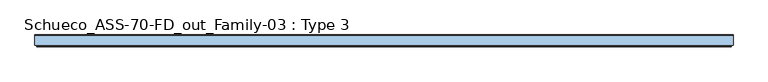
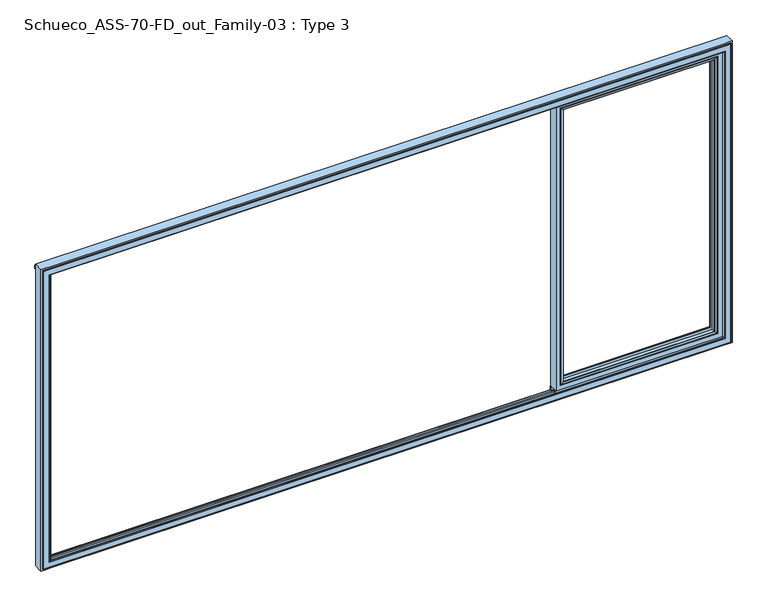
"""IFC4 building model written with IfcOpenShell, lengths in millimetres: window geometry, Schueco_ASS-70-FD_out_Family-03 : Type 3."""

from ifc_helpers import new_model, si_unit, point, frame, frame_2d, origin, place, context, project, spatial, polyline, circle_curve, ellipse_curve, trimmed, segment, composite_curve, outline, extrude, source, transform, mapped, element, save
from ifc_brep_helpers import plane_surface, cylinder_surface, advanced_brep


def schueco_ass_70_fd_out_family_03_type_3_bed2fc86(model_context):
    return source(origin(), model_context, "Body", "SolidModel", [
        advanced_brep(
        [(1324.7245728, -64.5552044, 2283.0004272), (1324.7245728, -64.5552044, 128.9995728), (1324.7245728, -37.9928974, 128.9995728), (1324.7245728, -37.9928974, 2283.0004272), (1302.725, -37.9928974, 2305.0), (2480.8, -37.9928974, 2305.0), (2480.8, -37.9928974, 107.0), (1302.725, -37.9928974, 107.0), (2458.8004272, -37.9928974, 2283.0004272), (2458.8004272, -37.9928974, 128.9995728), (2458.8004272, -64.5552044, 128.9995728), (1324.0150293, -65.8045072, 2283.7099707), (1324.0150293, -65.8045072, 128.2900293), (2459.5099707, -65.8045072, 128.2900293), (1308.724939, -70.0, 2299.000061), (1308.724939, -70.0, 112.999939), (2474.800061, -70.0, 112.999939), (2480.8, -70.0, 2305.0), (1302.725, -70.0, 2305.0), (1302.725, -70.0, 107.0), (2480.8, -70.0, 107.0), (2474.800061, -70.0, 2299.000061), (2458.8004272, -64.5552044, 2283.0004272), (2459.5099707, -65.8045072, 2283.7099707)],
        [
            (0, 1),
            (1, 2),
            (2, 3),
            (3, 0),
            (4, 5),
            (5, 6),
            (6, 7),
            (7, 4),
            (8, 3),
            (2, 9),
            (9, 8),
            (1, 10),
            (10, 9),
            (11, 12),
            (12, 1, ellipse_curve(frame((1323.2699688, -64.5552044, 127.5449688), z_axis=(-0.7071067811865475, 0.0, 0.7071067811865475), x_axis=(0.7071067811865474, 0.0, 0.7071067811865476)), 2.0571207, 1.454604)),
            (0, 11, ellipse_curve(frame((1323.2699688, -64.5552044, 2284.4550312), z_axis=(-0.7071067811865475, 0.0, -0.7071067811865475), x_axis=(-0.7071067811865474, 0.0, 0.7071067811865476)), 2.0571207, 1.454604)),
            (12, 13),
            (13, 10, ellipse_curve(frame((2460.2550312, -64.5552044, 127.5449688), z_axis=(-0.7071067811865475, 0.0, -0.7071067811865475), x_axis=(-0.7071067811865476, 0.0, 0.7071067811865474)), 2.0571207, 1.454604)),
            (14, 15),
            (15, 12, ellipse_curve(frame((1308.7888746, -40.2735922, 113.0638746), z_axis=(-0.7071067811865475, 0.0, 0.7071067811865475), x_axis=(0.7071067811865474, 0.0, 0.7071067811865476)), 42.0395863, 29.7264765)),
            (11, 14, ellipse_curve(frame((1308.7888746, -40.2735922, 2298.9361254), z_axis=(-0.7071067811865475, 0.0, -0.7071067811865475), x_axis=(-0.7071067811865474, 0.0, 0.7071067811865476)), 42.0395863, 29.7264765)),
            (15, 16),
            (16, 13, ellipse_curve(frame((2474.7361254, -40.2735922, 113.0638746), z_axis=(-0.7071067811865475, 0.0, -0.7071067811865475), x_axis=(-0.7071067811865476, 0.0, 0.7071067811865474)), 42.0395863, 29.7264765)),
            (17, 18),
            (18, 19),
            (19, 20),
            (20, 17),
            (14, 21),
            (21, 16),
            (7, 19),
            (18, 4),
            (6, 20),
            (10, 22),
            (22, 8),
            (13, 23),
            (23, 22, ellipse_curve(frame((2460.2550312, -64.5552044, 2284.4550312), z_axis=(0.7071067811865475, 0.0, -0.7071067811865475), x_axis=(-0.7071067811865474, 0.0, -0.7071067811865476)), 2.0571207, 1.454604)),
            (21, 23, ellipse_curve(frame((2474.7361254, -40.2735922, 2298.9361254), z_axis=(0.7071067811865475, 0.0, -0.7071067811865475), x_axis=(-0.7071067811865474, 0.0, -0.7071067811865476)), 42.0395863, 29.7264765)),
            (5, 17),
            (22, 0),
            (23, 11),
        ],
        [
            plane_surface(frame((1324.7245728, -37.9928974, 2283.0004272), z_axis=(1.0, 0.0, 0.0), x_axis=(0.0, 0.0, -1.0))),
            plane_surface(frame((2480.8, -37.9928974, 107.0), z_axis=(0.0, 1.0, 0.0), x_axis=(0.0, 0.0, 1.0))),
            plane_surface(frame((1324.7245728, -37.9928974, 128.9995728), z_axis=(0.0, 0.0, 1.0), x_axis=(1.0, 0.0, 0.0))),
            cylinder_surface(frame((1323.2699688, -64.5552044, 2283.0004272), z_axis=(0.0, 0.0, 1.0), x_axis=(-1.0, 0.0, 0.0)), 1.454604),
            cylinder_surface(frame((1324.7245728, -64.5552044, 127.5449688), z_axis=(-1.0, 0.0, 0.0), x_axis=(0.0, 0.0, -1.0)), 1.454604),
            cylinder_surface(frame((1308.7888746, -40.2735922, 2283.0004272), z_axis=(0.0, 0.0, 1.0), x_axis=(-1.0, 0.0, 0.0)), 29.7264765),
            cylinder_surface(frame((1324.7245728, -40.2735922, 113.0638746), z_axis=(-1.0, 0.0, 0.0), x_axis=(0.0, 0.0, -1.0)), 29.7264765),
            plane_surface(frame((2474.800061, -70.0, 112.999939), z_axis=(0.0, -1.0, 0.0), x_axis=(0.0, 0.0, 1.0))),
            plane_surface(frame((1302.725, -70.0, 2305.0), z_axis=(-1.0, 0.0, 0.0), x_axis=(0.0, 0.0, -1.0))),
            plane_surface(frame((1302.725, -70.0, 107.0), z_axis=(0.0, 0.0, -1.0), x_axis=(1.0, 0.0, 0.0))),
            plane_surface(frame((2458.8004272, -37.9928974, 128.9995728), z_axis=(-1.0, 0.0, 0.0), x_axis=(0.0, 0.0, 1.0))),
            cylinder_surface(frame((2460.2550312, -64.5552044, 128.9995728), z_axis=(0.0, 0.0, -1.0), x_axis=(1.0, 0.0, 0.0)), 1.454604),
            cylinder_surface(frame((2474.7361254, -40.2735922, 128.9995728), z_axis=(0.0, 0.0, -1.0), x_axis=(1.0, 0.0, 0.0)), 29.7264765),
            plane_surface(frame((2480.8, -70.0, 107.0), z_axis=(1.0, 0.0, 0.0), x_axis=(0.0, 0.0, 1.0))),
            plane_surface(frame((2458.8004272, -37.9928974, 2283.0004272), z_axis=(0.0, 0.0, -1.0), x_axis=(-1.0, 0.0, 0.0))),
            cylinder_surface(frame((2458.8004272, -64.5552044, 2284.4550312), z_axis=(1.0, 0.0, 0.0), x_axis=(0.0, 0.0, 1.0)), 1.454604),
            cylinder_surface(frame((2458.8004272, -40.2735922, 2298.9361254), z_axis=(1.0, 0.0, 0.0), x_axis=(0.0, 0.0, 1.0)), 29.7264765),
            plane_surface(frame((2480.8, -70.0, 2305.0), z_axis=(0.0, 0.0, 1.0), x_axis=(-1.0, 0.0, 0.0))),
        ],
        [
            (0, [[1, 2, 3, 4]]),
            (1, [[5, 6, 7, 8], [9, -3, 10, 11]]),
            (2, [[12, 13, -10, -2]]),
            (3, [[14, 15, -1, 16]]),
            (4, [[17, 18, -12, -15]]),
            (5, [[19, 20, -14, 21]]),
            (6, [[22, 23, -17, -20]]),
            (7, [[24, 25, 26, 27], [28, 29, -22, -19]]),
            (8, [[-8, 30, -25, 31]]),
            (9, [[-7, 32, -26, -30]]),
            (10, [[33, 34, -11, -13]]),
            (11, [[35, 36, -33, -18]]),
            (12, [[-29, 37, -35, -23]]),
            (13, [[-6, 38, -27, -32]]),
            (14, [[39, -4, -9, -34]]),
            (15, [[40, -16, -39, -36]]),
            (16, [[-28, -21, -40, -37]]),
            (17, [[-5, -31, -24, -38]]),
        ],
    ),
        advanced_brep(
        [(2512.8, -70.0, 2337.0), (2512.8, -70.0, 75.0), (2512.8, 0.0, 75.0), (2512.8, 0.0, 2337.0), (1270.725, -70.0, 75.0), (1270.725, 0.0, 75.0), (1270.725, 0.0, 2337.0), (1320.2241901, 0.0, 124.4991901), (2463.3008099, 0.0, 124.4991901), (2463.3008099, 0.0, 2287.5008099), (1320.2241901, 0.0, 2287.5008099), (1270.725, -70.0, 2337.0), (2480.8, -70.0, 107.0), (1302.725, -70.0, 107.0), (1302.725, -70.0, 2305.0), (2480.8, -70.0, 2305.0), (2480.8, -13.999939, 2305.0), (2480.8, -13.999939, 107.0), (1302.725, -13.999939, 107.0), (1302.725, -13.999939, 2305.0), (2458.8004272, -13.999939, 128.9995728), (1324.7245728, -13.999939, 128.9995728), (1324.7245728, -13.999939, 2283.0004272), (2458.8004272, -13.999939, 2283.0004272), (2458.8004272, -4.5004435, 2283.0004272), (2458.8004272, -4.5004435, 128.9995728), (1324.7245728, -4.5004435, 128.9995728), (1324.7245728, -4.5004435, 2283.0004272)],
        [
            (0, 1),
            (1, 2),
            (2, 3),
            (3, 0),
            (1, 4),
            (4, 5),
            (5, 2),
            (5, 6),
            (6, 3),
            (7, 8),
            (8, 9),
            (9, 10),
            (10, 7),
            (4, 11),
            (11, 6),
            (0, 11),
            (12, 13),
            (13, 14),
            (14, 15),
            (15, 12),
            (16, 17),
            (17, 12),
            (15, 16),
            (17, 18),
            (18, 13),
            (18, 19),
            (19, 14),
            (16, 19),
            (20, 21),
            (21, 22),
            (22, 23),
            (23, 20),
            (24, 25),
            (25, 20),
            (23, 24),
            (25, 26),
            (26, 21),
            (26, 27),
            (27, 22),
            (7, 26, ellipse_curve(frame((1320.2241901, -4.5004435, 124.4991901), z_axis=(0.7071067811865475, 0.0, -0.7071067811865475), x_axis=(0.7071067811865476, 0.0, 0.7071067811865474)), 6.3645023, 4.5003827)),
            (25, 8, ellipse_curve(frame((2463.3008099, -4.5004435, 124.4991901), z_axis=(-0.7071067811865475, 0.0, -0.7071067811865475), x_axis=(0.7071067811865476, 0.0, -0.7071067811865474)), 6.3645023, 4.5003827)),
            (24, 9, ellipse_curve(frame((2463.3008099, -4.5004435, 2287.5008099), z_axis=(0.7071067811865475, 0.0, -0.7071067811865475), x_axis=(0.7071067811865474, 0.0, 0.7071067811865476)), 6.3645023, 4.5003827)),
            (10, 27, ellipse_curve(frame((1320.2241901, -4.5004435, 2287.5008099), z_axis=(-0.7071067811865475, 0.0, -0.7071067811865475), x_axis=(0.7071067811865474, 0.0, -0.7071067811865476)), 6.3645023, 4.5003827)),
            (27, 24),
        ],
        [
            plane_surface(frame((2512.8, 0.0, 2337.0), z_axis=(1.0, 0.0, 0.0), x_axis=(0.0, 0.0, -1.0))),
            plane_surface(frame((2512.8, 0.0, 75.0), z_axis=(0.0, 0.0, -1.0), x_axis=(-1.0, 0.0, 0.0))),
            plane_surface(frame((2463.3008099, 0.0, 2287.5008099), z_axis=(0.0, 1.0, 0.0), x_axis=(0.0, 0.0, -1.0))),
            plane_surface(frame((1270.725, 0.0, 75.0), z_axis=(-1.0, 0.0, 0.0), x_axis=(0.0, 0.0, 1.0))),
            plane_surface(frame((2512.8, -70.0, 2337.0), z_axis=(0.0, -1.0, 0.0), x_axis=(0.0, 0.0, -1.0))),
            plane_surface(frame((2480.8, -70.0, 2305.0), z_axis=(-1.0, 0.0, 0.0), x_axis=(0.0, 0.0, -1.0))),
            plane_surface(frame((2480.8, -70.0, 107.0), z_axis=(0.0, 0.0, 1.0), x_axis=(-1.0, 0.0, 0.0))),
            plane_surface(frame((1302.725, -70.0, 107.0), z_axis=(1.0, 0.0, 0.0), x_axis=(0.0, 0.0, 1.0))),
            plane_surface(frame((2480.8, -13.999939, 2305.0), z_axis=(0.0, -1.0, 0.0), x_axis=(0.0, 0.0, -1.0))),
            plane_surface(frame((2458.8004272, -13.999939, 2283.0004272), z_axis=(-1.0, 0.0, 0.0), x_axis=(0.0, 0.0, -1.0))),
            plane_surface(frame((2458.8004272, -13.999939, 128.9995728), z_axis=(0.0, 0.0, 1.0), x_axis=(-1.0, 0.0, 0.0))),
            plane_surface(frame((1324.7245728, -13.999939, 128.9995728), z_axis=(1.0, 0.0, 0.0), x_axis=(0.0, 0.0, 1.0))),
            cylinder_surface(frame((2518.8, -4.5004435, 124.4991901), z_axis=(1.0, 0.0, 0.0), x_axis=(0.0, -1.0, 0.0)), 4.5003827),
            cylinder_surface(frame((2463.3008099, -4.5004435, 2343.0), z_axis=(0.0, 0.0, 1.0), x_axis=(0.0, -1.0, 0.0)), 4.5003827),
            cylinder_surface(frame((1320.2241901, -4.5004435, 69.0), z_axis=(0.0, 0.0, -1.0), x_axis=(0.0, -1.0, 0.0)), 4.5003827),
            plane_surface(frame((1270.725, 0.0, 2337.0), z_axis=(0.0, 0.0, 1.0), x_axis=(1.0, 0.0, 0.0))),
            plane_surface(frame((1302.725, -70.0, 2305.0), z_axis=(0.0, 0.0, -1.0), x_axis=(1.0, 0.0, 0.0))),
            plane_surface(frame((1324.7245728, -13.999939, 2283.0004272), z_axis=(0.0, 0.0, -1.0), x_axis=(1.0, 0.0, 0.0))),
            cylinder_surface(frame((1264.725, -4.5004435, 2287.5008099), z_axis=(-1.0, 0.0, 0.0), x_axis=(0.0, -1.0, 0.0)), 4.5003827),
        ],
        [
            (0, [[1, 2, 3, 4]]),
            (1, [[5, 6, 7, -2]]),
            (2, [[-7, 8, 9, -3], [10, 11, 12, 13]]),
            (3, [[14, 15, -8, -6]]),
            (4, [[-5, -1, 16, -14], [17, 18, 19, 20]]),
            (5, [[21, 22, -20, 23]]),
            (6, [[24, 25, -17, -22]]),
            (7, [[26, 27, -18, -25]]),
            (8, [[-24, -21, 28, -26], [29, 30, 31, 32]]),
            (9, [[33, 34, -32, 35]]),
            (10, [[36, 37, -29, -34]]),
            (11, [[38, 39, -30, -37]]),
            (12, [[-10, 40, -36, 41]]),
            (13, [[-11, -41, -33, 42]]),
            (14, [[-13, 43, -38, -40]]),
            (15, [[-16, -4, -9, -15]]),
            (16, [[-28, -23, -19, -27]]),
            (17, [[44, -35, -31, -39]]),
            (18, [[-12, -42, -44, -43]]),
        ],
    ),
        extrude(outline(polyline([(2518.8, -70.0), (1264.725, -70.0), (1264.725, -62.3999924), (2518.8, -62.3999924), (2518.8, -70.0)])), frame((0.0, 0.0, 52.9995117), z_axis=(0.0, 0.0, 1.0), x_axis=(1.0, 0.0, 0.0)), (0.0, 0.0, 1.0), 22.0004883),
        extrude(outline(composite_curve([segment(polyline([(0.0, 45.0), (-7.7242502, 45.0), (-7.7242502, 75.0), (0.0, 75.0), (0.0, 52.4754501), (1.8566157, 46.0621453)]), True, "CONTINUOUS"), segment(trimmed(circle_curve(frame_2d((-0.0645022, 45.5059925)), 2.0), [point((1.8566157, 46.0621453))], [point((1.8670103, 44.9870904))], False, "CARTESIAN"), True, "CONTINUOUS"), segment(polyline([(1.8670103, 44.9870904), (0.8737, 41.2896854), (0.0, 41.2896854), (0.0, 45.0)]), True, "CONTINUOUS")], self_intersect=False)), frame((1264.725, 0.0, 0.0), z_axis=(1.0, 0.0, 0.0), x_axis=(0.0, 1.0, 0.0)), (0.0, 0.0, 1.0), 1254.075),
        extrude(outline(composite_curve([segment(polyline([(-17.955674, 2339.1400778), (-1.3636404, 2339.1400778), (0.0, 2342.963961), (0.0, 2348.6420698), (0.8937897, 2348.6420698), (1.8738669, 2344.9939222)]), True, "CONTINUOUS"), segment(trimmed(circle_curve(frame_2d((-0.0576456, 2344.4750201)), 2.0), [point((1.8738669, 2344.9939222))], [point((1.8735116, 2343.9547971))], False, "CARTESIAN"), True, "CONTINUOUS"), segment(polyline([(1.8735116, 2343.9547971), (0.0, 2337.0), (-17.955674, 2337.0), (-17.955674, 2339.1400778)]), True, "CONTINUOUS")], self_intersect=False)), frame((1264.725, 0.0, 0.0), z_axis=(1.0, 0.0, 0.0), x_axis=(0.0, 1.0, 0.0)), (0.0, 0.0, 1.0), 1254.075),
        advanced_brep(
        [(2577.999939, -70.0, 12.000061), (2577.999939, -75.4999847, 12.000061), (-2577.999939, -75.4999847, 12.000061), (-2577.999939, -70.0, 12.000061), (-2565.9997864, -70.0, 12.000061), (-2516.5, -70.0, 12.000061), (2518.8, -70.0, 12.000061), (2565.9997864, -70.0, 12.000061), (2577.999939, -70.0, 2377.999939), (2577.999939, -75.4999847, 2377.999939), (2590.0, -70.0, 0.0), (2590.0, -70.0, 2390.0), (2565.9997864, -70.0, 2390.0), (2518.8, -70.0, 2390.0), (-2516.5, -70.0, 2390.0), (-2565.9997864, -70.0, 2390.0), (-2590.0, -70.0, 2390.0), (-2590.0, -70.0, 0.0), (-2565.9997864, -70.0, 0.0), (-2516.5, -70.0, 0.0), (2518.8, -70.0, 0.0), (2565.9997864, -70.0, 0.0), (-2577.999939, -70.0, 2377.999939), (-2565.9997864, -70.0, 2377.999939), (-2516.5, -70.0, 2377.999939), (2518.8, -70.0, 2377.999939), (2565.9997864, -70.0, 2377.999939), (2573.499939, -79.9999847, 2373.499939), (2573.499939, -79.9999847, 16.500061), (-2573.499939, -79.9999847, 2373.499939), (-2573.499939, -79.9999847, 16.500061), (2532.5000916, -79.9999847, 2332.5000916), (2532.5000916, -79.9999847, 57.4999084), (-2532.5000916, -79.9999847, 57.4999084), (-2532.5000916, -79.9999847, 2332.5000916), (2530.0000916, -77.4999847, 59.9999084), (-2530.0000916, -77.4999847, 59.9999084), (2530.0000916, -77.4999847, 2330.0000916), (2530.0000916, -70.0, 2330.0000916), (2530.0000916, -70.0, 59.9999084), (2518.8, -70.0, 2330.0000916), (2518.8, -70.0, 59.9999084), (-2516.5, -70.0, 59.9999084), (-2530.0000916, -70.0, 59.9999084), (2545.0, -3.5, 45.0), (2545.0, 0.0, 45.0), (2540.0003662, 0.0, 45.0), (2540.0003662, -3.5, 45.0), (-2516.5, 0.0, 45.0), (-2516.5, -3.5, 45.0), (2518.8, -3.5, 45.0), (2518.8, 0.0, 45.0), (-2545.0, 0.0, 45.0), (-2545.0, -3.5, 45.0), (-2540.0003662, -3.5000916, 45.0), (-2540.0003662, 0.0, 45.0), (2545.0, -3.5000916, 2345.0), (2545.0, 0.0, 2345.0), (2540.0003662, -3.5000916, 2345.0), (2590.0, 0.0, 2390.0), (2590.0, 0.0, 0.0), (-2590.0, 0.0, 0.0), (-2590.0, 0.0, 2390.0), (2518.8, 0.0, 2345.0), (-2516.5, 0.0, 2345.0), (2540.0003662, 0.0, 2345.0), (-2545.0, 0.0, 2345.0), (-2540.0003662, 0.0, 2345.0), (-2577.999939, -75.4999847, 2377.999939), (-2530.0000916, -77.4999847, 2330.0000916), (-2530.0000916, -70.0, 2330.0000916), (-2516.5, -70.0, 2330.0000916), (-2545.0, -3.5, 2345.0), (-2540.0003662, -3.5000916, 2345.0), (-2516.5, -70.0, 24.0002136), (2518.8, -70.0, 24.0002136), (-2516.5, -70.0, 2365.9997864), (2518.8, -70.0, 2365.9997864), (-2516.5, -55.8498688, 24.0002136), (-2516.5, -55.8498688, 40.999939), (-2516.5, -46.2499161, 40.999939), (-2516.5, -46.2499161, 24.0002136), (-2516.5, -23.75, 24.0002136), (-2516.5, -23.75, 40.999939), (-2516.5, -14.1500244, 40.999939), (-2516.5, -14.1500244, 24.0002136), (-2516.5, -3.5, 24.0002136), (-2516.5, -3.5, 2345.0), (-2516.5, -3.5, 2365.9997864), (-2516.5, -14.1500244, 2365.9997864), (-2516.5, -14.1500244, 2349.000061), (-2516.5, -23.75, 2349.000061), (-2516.5, -23.75, 2365.9997864), (-2516.5, -46.2499161, 2365.9997864), (-2516.5, -46.2499161, 2349.000061), (-2516.5, -55.8498688, 2349.000061), (-2516.5, -55.8498688, 2365.9997864), (2518.8, -55.8498688, 2365.9997864), (2518.8, -55.8498688, 2349.000061), (2518.8, -46.2499161, 2349.000061), (2518.8, -46.2499161, 2365.9997864), (2518.8, -23.75, 2365.9997864), (2518.8, -23.75, 2349.000061), (2518.8, -14.1500244, 2349.000061), (2518.8, -14.1500244, 2365.9997864), (2518.8, -3.5, 2365.9997864), (2518.8, -3.5, 2345.0), (2518.8, -3.5, 24.0002136), (2518.8, -14.1500244, 24.0002136), (2518.8, -14.1500244, 40.999939), (2518.8, -23.75, 40.999939), (2518.8, -23.75, 24.0002136), (2518.8, -46.2499161, 24.0002136), (2518.8, -46.2499161, 40.999939), (2518.8, -55.8498688, 40.999939), (2518.8, -55.8498688, 24.0002136)],
        [
            (0, 1),
            (1, 2),
            (2, 3),
            (3, 4),
            (4, 5),
            (5, 6),
            (6, 7),
            (7, 0),
            (0, 8),
            (8, 9),
            (9, 1),
            (10, 11),
            (11, 12),
            (12, 13),
            (13, 14),
            (14, 15),
            (15, 16),
            (16, 17),
            (17, 18),
            (18, 19),
            (19, 20),
            (20, 21),
            (21, 10),
            (3, 22),
            (22, 23),
            (23, 24),
            (24, 25),
            (25, 26),
            (26, 8),
            (9, 27, ellipse_curve(frame((2573.499939, -75.4999847, 2373.499939), z_axis=(0.7071067811865451, 0.0, -0.7071067811865498), x_axis=(-0.7071067811865497, 0.0, -0.7071067811865452)), 6.363961, 4.5)),
            (27, 28),
            (28, 1, ellipse_curve(frame((2573.499939, -75.4999847, 16.500061), z_axis=(0.7071067811865498, 0.0, 0.7071067811865451), x_axis=(0.7071067811865451, 0.0, -0.70710678118655)), 6.363961, 4.5)),
            (27, 29),
            (29, 30),
            (30, 28),
            (31, 32),
            (32, 33),
            (33, 34),
            (34, 31),
            (30, 2, ellipse_curve(frame((-2573.499939, -75.4999847, 16.500061), z_axis=(0.7071067811865451, 0.0, -0.7071067811865498), x_axis=(-0.70710678118655, 0.0, -0.7071067811865451)), 6.363961, 4.5)),
            (32, 35, ellipse_curve(frame((2532.5000916, -77.4999847, 57.4999084), z_axis=(-0.7071067811865498, 0.0, -0.7071067811865451), x_axis=(-0.7071067811865452, 0.0, 0.7071067811865497)), 3.5355339, 2.5)),
            (35, 36),
            (36, 33, ellipse_curve(frame((-2532.5000916, -77.4999847, 57.4999084), z_axis=(0.7071067811865451, 0.0, -0.7071067811865498), x_axis=(-0.70710678118655, 0.0, -0.7071067811865451)), 3.5355339, 2.5)),
            (31, 37, ellipse_curve(frame((2532.5000916, -77.4999847, 2332.5000916), z_axis=(0.7071067811865451, 0.0, -0.7071067811865498), x_axis=(-0.7071067811865497, 0.0, -0.7071067811865452)), 3.5355339, 2.5)),
            (37, 35),
            (37, 38),
            (38, 39),
            (39, 35),
            (40, 41),
            (41, 39),
            (38, 40),
            (41, 42),
            (42, 43),
            (43, 36),
            (44, 45),
            (45, 46),
            (46, 47),
            (47, 44),
            (48, 49),
            (49, 50),
            (50, 51),
            (51, 48),
            (52, 53),
            (53, 54),
            (54, 55),
            (55, 52),
            (44, 56),
            (56, 57),
            (57, 45),
            (47, 58),
            (58, 56),
            (59, 60),
            (60, 61),
            (61, 62),
            (62, 59),
            (51, 63),
            (63, 64),
            (64, 48),
            (57, 65),
            (65, 46),
            (66, 52),
            (55, 67),
            (67, 66),
            (60, 10),
            (17, 61),
            (59, 11),
            (68, 22),
            (2, 68),
            (29, 68, ellipse_curve(frame((-2573.499939, -75.4999847, 2373.499939), z_axis=(-0.7071067811865498, 0.0, -0.7071067811865451), x_axis=(-0.7071067811865451, 0.0, 0.70710678118655)), 6.363961, 4.5)),
            (69, 34, ellipse_curve(frame((-2532.5000916, -77.4999847, 2332.5000916), z_axis=(-0.7071067811865498, 0.0, -0.7071067811865451), x_axis=(-0.7071067811865451, 0.0, 0.70710678118655)), 3.5355339, 2.5)),
            (36, 69),
            (70, 69),
            (43, 70),
            (42, 71),
            (71, 70),
            (66, 72),
            (72, 53),
            (73, 54),
            (72, 73),
            (16, 62),
            (74, 42),
            (41, 75),
            (75, 74),
            (71, 76),
            (76, 77),
            (77, 40),
            (40, 71),
            (74, 78),
            (78, 79),
            (79, 80),
            (80, 81),
            (81, 82),
            (82, 83),
            (83, 84),
            (84, 85),
            (85, 86),
            (86, 49),
            (64, 87),
            (87, 88),
            (88, 89),
            (89, 90),
            (90, 91),
            (91, 92),
            (92, 93),
            (93, 94),
            (94, 95),
            (95, 96),
            (96, 76),
            (77, 97),
            (97, 98),
            (98, 99),
            (99, 100),
            (100, 101),
            (101, 102),
            (102, 103),
            (103, 104),
            (104, 105),
            (105, 106),
            (106, 63),
            (50, 107),
            (107, 108),
            (108, 109),
            (109, 110),
            (110, 111),
            (111, 112),
            (112, 113),
            (113, 114),
            (114, 115),
            (115, 75),
            (115, 78),
            (114, 79),
            (95, 98),
            (97, 96),
            (113, 80),
            (112, 81),
            (93, 100),
            (99, 94),
            (111, 82),
            (110, 83),
            (91, 102),
            (101, 92),
            (109, 84),
            (108, 85),
            (89, 104),
            (103, 90),
            (107, 86),
            (87, 106),
            (105, 88),
            (65, 58),
            (73, 67),
            (68, 9),
            (69, 37),
        ],
        [
            plane_surface(frame((-2577.999939, -70.0, 12.000061), z_axis=(0.0, 0.0, -1.0), x_axis=(1.0, 0.0, 0.0))),
            plane_surface(frame((2577.999939, -70.0, 12.000061), z_axis=(1.0, 0.0, 0.0), x_axis=(0.0, 0.0, 1.0))),
            plane_surface(frame((-2590.0, -70.0, 0.0), z_axis=(0.0, -1.0, 0.0), x_axis=(1.0, 0.0, 0.0))),
            cylinder_surface(frame((2573.499939, -75.4999847, 0.0), z_axis=(0.0, 0.0, -1.0), x_axis=(-1.0, 0.0, 0.0)), 4.5),
            plane_surface(frame((-2573.499939, -79.9999847, 16.500061), z_axis=(0.0, -1.0, 0.0), x_axis=(1.0, 0.0, 0.0))),
            cylinder_surface(frame((-2590.0, -75.4999847, 16.500061), z_axis=(-1.0, 0.0, 0.0), x_axis=(0.0, 0.0, 1.0)), 4.5),
            cylinder_surface(frame((-2590.0, -77.4999847, 57.4999084), z_axis=(-1.0, 0.0, 0.0), x_axis=(0.0, 0.0, 1.0)), 2.5),
            cylinder_surface(frame((2532.5000916, -77.4999847, 0.0), z_axis=(0.0, 0.0, -1.0), x_axis=(-1.0, 0.0, 0.0)), 2.5),
            plane_surface(frame((2530.0000916, -77.4999847, 59.9999084), z_axis=(-1.0, 0.0, 0.0), x_axis=(0.0, 0.0, 1.0))),
            plane_surface(frame((2518.8, -70.0, 2390.0), z_axis=(0.0, -1.0, 0.0), x_axis=(0.0, 0.0, -1.0))),
            plane_surface(frame((-2530.0000916, -77.4999847, 59.9999084), z_axis=(0.0, 0.0, 1.0), x_axis=(1.0, 0.0, 0.0))),
            plane_surface(frame((-2545.0, -3.5, 45.0), z_axis=(0.0, 0.0, 1.0), x_axis=(1.0, 0.0, 0.0))),
            plane_surface(frame((2545.0, -3.5, 45.0), z_axis=(-1.0, 0.0, 0.0), x_axis=(0.0, 0.0, 1.0))),
            plane_surface(frame((2565.9997864, -3.5000916, 2390.0), z_axis=(0.0, 1.0, 0.0), x_axis=(0.0, 0.0, -1.0))),
            plane_surface(frame((-2545.0, 0.0, 45.0), z_axis=(0.0, 1.0, 0.0), x_axis=(1.0, 0.0, 0.0))),
            plane_surface(frame((-2590.0, 0.0, 0.0), z_axis=(0.0, 0.0, -1.0), x_axis=(1.0, 0.0, 0.0))),
            plane_surface(frame((2590.0, 0.0, 0.0), z_axis=(1.0, 0.0, 0.0), x_axis=(0.0, 0.0, 1.0))),
            plane_surface(frame((-2577.999939, -70.0, 2377.999939), z_axis=(-1.0, 0.0, 0.0), x_axis=(0.0, 0.0, -1.0))),
            cylinder_surface(frame((-2573.499939, -75.4999847, 2390.0), z_axis=(0.0, 0.0, 1.0), x_axis=(1.0, 0.0, 0.0)), 4.5),
            cylinder_surface(frame((-2532.5000916, -77.4999847, 2390.0), z_axis=(0.0, 0.0, 1.0), x_axis=(1.0, 0.0, 0.0)), 2.5),
            plane_surface(frame((-2530.0000916, -77.4999847, 2330.0000916), z_axis=(1.0, 0.0, 0.0), x_axis=(0.0, 0.0, -1.0))),
            plane_surface(frame((-2565.9997864, -70.0, 2390.0), z_axis=(0.0, -1.0, 0.0), x_axis=(0.0, 0.0, -1.0))),
            plane_surface(frame((-2545.0, -3.5, 2345.0), z_axis=(1.0, 0.0, 0.0), x_axis=(0.0, 0.0, -1.0))),
            plane_surface(frame((-2540.0003662, -3.5000916, 2390.0), z_axis=(0.0, 1.0, 0.0), x_axis=(0.0, 0.0, -1.0))),
            plane_surface(frame((-2590.0, 0.0, 2390.0), z_axis=(-1.0, 0.0, 0.0), x_axis=(0.0, 0.0, -1.0))),
            plane_surface(frame((-2530.0000916, -70.0, 59.9999084), z_axis=(0.0, 1.0, 0.0), x_axis=(1.0, 0.0, 0.0))),
            plane_surface(frame((-2516.5, -70.0, 2390.0), z_axis=(1.0, 0.0, 0.0), x_axis=(0.0, 0.0, -1.0))),
            plane_surface(frame((2518.8, 0.0, 2390.0), z_axis=(-1.0, 0.0, 0.0), x_axis=(0.0, 0.0, -1.0))),
            plane_surface(frame((-2565.9997864, -70.0, 24.0002136), z_axis=(0.0, 0.0, 1.0), x_axis=(1.0, 0.0, 0.0))),
            plane_surface(frame((-2565.9997864, -55.8498688, 24.0002136), z_axis=(0.0, -1.0, 0.0), x_axis=(1.0, 0.0, 0.0))),
            plane_surface(frame((-2549.000061, -55.8498688, 40.999939), z_axis=(0.0, 0.0, 1.0), x_axis=(1.0, 0.0, 0.0))),
            plane_surface(frame((-2549.000061, -46.2499161, 40.999939), z_axis=(0.0, 1.0, 0.0), x_axis=(1.0, 0.0, 0.0))),
            plane_surface(frame((-2565.9997864, -46.2499161, 24.0002136), z_axis=(0.0, 0.0, 1.0), x_axis=(1.0, 0.0, 0.0))),
            plane_surface(frame((-2565.9997864, -23.75, 24.0002136), z_axis=(0.0, -1.0, 0.0), x_axis=(1.0, 0.0, 0.0))),
            plane_surface(frame((-2549.000061, -23.75, 40.999939), z_axis=(0.0, 0.0, 1.0), x_axis=(1.0, 0.0, 0.0))),
            plane_surface(frame((-2549.000061, -14.1500244, 40.999939), z_axis=(0.0, 1.0, 0.0), x_axis=(1.0, 0.0, 0.0))),
            plane_surface(frame((-2565.9997864, -14.1500244, 24.0002136), z_axis=(0.0, 0.0, 1.0), x_axis=(1.0, 0.0, 0.0))),
            plane_surface(frame((-2565.9997864, -3.5, 24.0002136), z_axis=(0.0, -1.0, 0.0), x_axis=(1.0, 0.0, 0.0))),
            plane_surface(frame((2540.0003662, -3.5000916, 2390.0), z_axis=(1.0, 0.0, 0.0), x_axis=(0.0, 0.0, -1.0))),
            plane_surface(frame((-2540.0003662, 0.0, 2390.0), z_axis=(-1.0, 0.0, 0.0), x_axis=(0.0, 0.0, -1.0))),
            plane_surface(frame((2577.999939, -70.0, 2377.999939), z_axis=(0.0, 0.0, 1.0), x_axis=(-1.0, 0.0, 0.0))),
            cylinder_surface(frame((2590.0, -75.4999847, 2373.499939), z_axis=(1.0, 0.0, 0.0), x_axis=(0.0, 0.0, -1.0)), 4.5),
            cylinder_surface(frame((2590.0, -77.4999847, 2332.5000916), z_axis=(1.0, 0.0, 0.0), x_axis=(0.0, 0.0, -1.0)), 2.5),
            plane_surface(frame((2530.0000916, -77.4999847, 2330.0000916), z_axis=(0.0, 0.0, -1.0), x_axis=(-1.0, 0.0, 0.0))),
            plane_surface(frame((2545.0, -3.5, 2345.0), z_axis=(0.0, 0.0, -1.0), x_axis=(-1.0, 0.0, 0.0))),
            plane_surface(frame((2590.0, 0.0, 2390.0), z_axis=(0.0, 0.0, 1.0), x_axis=(-1.0, 0.0, 0.0))),
            plane_surface(frame((2565.9997864, -70.0, 2365.9997864), z_axis=(0.0, 0.0, -1.0), x_axis=(-1.0, 0.0, 0.0))),
            plane_surface(frame((2549.000061, -55.8498688, 2349.000061), z_axis=(0.0, 0.0, -1.0), x_axis=(-1.0, 0.0, 0.0))),
            plane_surface(frame((2565.9997864, -46.2499161, 2365.9997864), z_axis=(0.0, 0.0, -1.0), x_axis=(-1.0, 0.0, 0.0))),
            plane_surface(frame((2549.000061, -23.75, 2349.000061), z_axis=(0.0, 0.0, -1.0), x_axis=(-1.0, 0.0, 0.0))),
            plane_surface(frame((2565.9997864, -14.1500244, 2365.9997864), z_axis=(0.0, 0.0, -1.0), x_axis=(-1.0, 0.0, 0.0))),
        ],
        [
            (0, [[1, 2, 3, 4, 5, 6, 7, 8]]),
            (1, [[-1, 9, 10, 11]]),
            (2, [[12, 13, 14, 15, 16, 17, 18, 19, 20, 21, 22, 23], [-9, -8, -7, -6, -5, -4, 24, 25, 26, 27, 28, 29]]),
            (3, [[-11, 30, 31, 32]]),
            (4, [[-31, 33, 34, 35], [36, 37, 38, 39]]),
            (5, [[-32, -35, 40, -2]]),
            (6, [[41, 42, 43, -37]]),
            (7, [[-41, -36, 44, 45]]),
            (8, [[-45, 46, 47, 48]]),
            (9, [[49, 50, -47, 51]]),
            (10, [[-48, -50, 52, 53, 54, -42]]),
            (11, [[55, 56, 57, 58]]),
            (11, [[59, 60, 61, 62]]),
            (11, [[63, 64, 65, 66]]),
            (12, [[-55, 67, 68, 69]]),
            (13, [[70, 71, -67, -58]]),
            (14, [[72, 73, 74, 75], [-62, 76, 77, 78], [-69, 79, 80, -56], [81, -66, 82, 83]]),
            (15, [[-73, 84, -23, -22, -21, -20, -19, 85]]),
            (16, [[-84, -72, 86, -12]]),
            (17, [[87, -24, -3, 88]]),
            (18, [[89, -88, -40, -34]]),
            (19, [[90, -38, -43, 91]]),
            (20, [[92, -91, -54, 93]]),
            (21, [[94, 95, -93, -53]]),
            (22, [[96, 97, -63, -81]]),
            (23, [[98, -64, -97, 99]]),
            (24, [[100, -74, -85, -18]]),
            (25, [[101, -52, 102, 103]]),
            (25, [[104, 105, 106, 107]]),
            (26, [[-94, -101, 108, 109, 110, 111, 112, 113, 114, 115, 116, 117, -59, -78, 118, 119, 120, 121, 122, 123, 124, 125, 126, 127, 128, -104]]),
            (27, [[-49, -106, 129, 130, 131, 132, 133, 134, 135, 136, 137, 138, 139, -76, -61, 140, 141, 142, 143, 144, 145, 146, 147, 148, 149, -102]]),
            (28, [[-108, -103, -149, 150]]),
            (29, [[-109, -150, -148, 151]]),
            (29, [[-127, 152, -130, 153]]),
            (30, [[-110, -151, -147, 154]]),
            (31, [[-111, -154, -146, 155]]),
            (31, [[-125, 156, -132, 157]]),
            (32, [[-112, -155, -145, 158]]),
            (33, [[-113, -158, -144, 159]]),
            (33, [[-123, 160, -134, 161]]),
            (34, [[-114, -159, -143, 162]]),
            (35, [[-115, -162, -142, 163]]),
            (35, [[-121, 164, -136, 165]]),
            (36, [[-116, -163, -141, 166]]),
            (37, [[-117, -166, -140, -60]]),
            (37, [[-119, 167, -138, 168]]),
            (38, [[-70, -57, -80, 169]]),
            (39, [[-98, 170, -82, -65]]),
            (40, [[-10, -29, -28, -27, -26, -25, -87, 171]]),
            (41, [[-30, -171, -89, -33]]),
            (42, [[-44, -39, -90, 172]]),
            (43, [[-46, -172, -92, -95, -107, -51]]),
            (44, [[-68, -71, -169, -79]]),
            (44, [[-96, -83, -170, -99]]),
            (44, [[-118, -77, -139, -167]]),
            (45, [[-86, -75, -100, -17, -16, -15, -14, -13]]),
            (46, [[-128, -153, -129, -105]]),
            (47, [[-126, -157, -131, -152]]),
            (48, [[-124, -161, -133, -156]]),
            (49, [[-122, -165, -135, -160]]),
            (50, [[-120, -168, -137, -164]]),
        ],
    ),
        extrude(outline(polyline([(7.7224991, 2377.8134468), (7.7224991, 2353.0010125), (0.0, 2353.0010125), (0.0, 2382.2763596), (7.7224991, 2377.8134468)])), frame((-2590.0, 0.0, 0.0), z_axis=(1.0, 0.0, 0.0), x_axis=(0.0, 1.0, 0.0)), (0.0, 0.0, 1.0), 5180.0),
    ])


if __name__ == "__main__":
    model = new_model("IFC4")
    model_context = context("Model", 3, world=origin())
    ifc_project = project(units=[si_unit("LENGTHUNIT", "METRE", prefix="MILLI")], contexts=[model_context])
    site = spatial("IfcSite", under=ifc_project)
    building = spatial("IfcBuilding", under=site)
    placement = place(None, origin())
    schueco_ass_70_fd_out_family_03_type_3_shape = schueco_ass_70_fd_out_family_03_type_3_bed2fc86(model_context)
    element("IfcWindow", 1, ObjectType="Schueco_ASS-70-FD_out_Family-03 : Type 3", at=placement, inside=building, context=model_context, shape_type="MappedRepresentation", body=[
        mapped(schueco_ass_70_fd_out_family_03_type_3_shape, transform((0.0, 0.0, 0.0), x_axis=(1.0, 0.0, 0.0), y_axis=(0.0, 1.0, 0.0), z_axis=(0.0, 0.0, 1.0))),
    ])
    save(model, "model.ifc")
